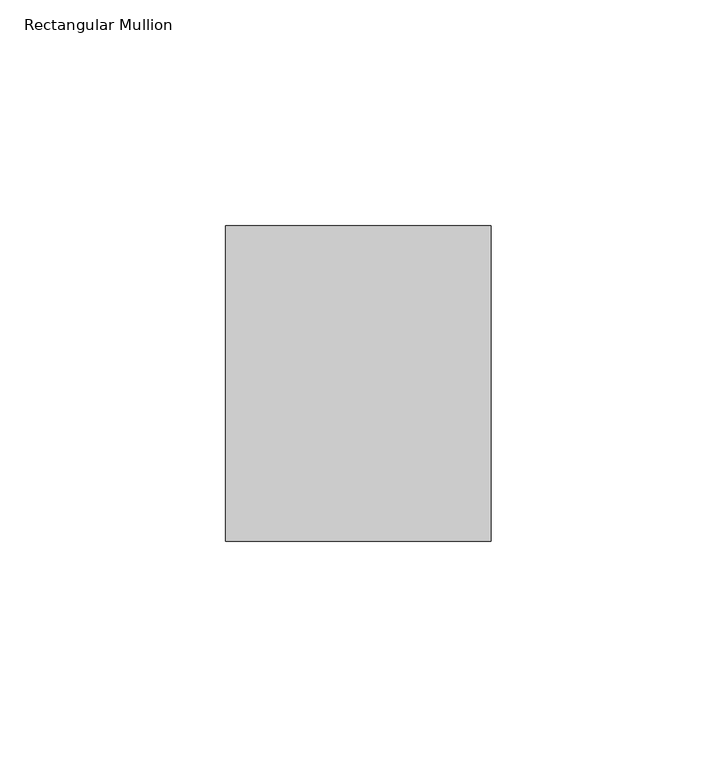
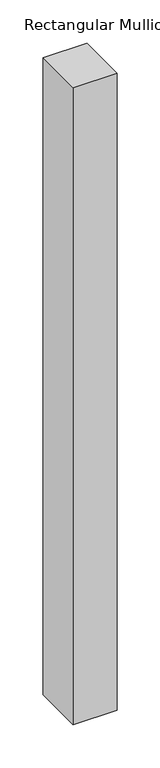
"""IFC4 building model written with IfcOpenShell, lengths in millimetres: member geometry, Rectangular Mullion."""

from ifc_helpers import new_model, si_unit, frame, origin, place, context, project, spatial, polyline, outline, extrude, source, transform, mapped, element, save


def rectangular_mullion_c6f1dcb2(model_context):
    return source(origin(), model_context, "Body", "SweptSolid", [
        extrude(outline(polyline([(0.0, 34.925), (0.0, -34.925), (-58.7375, -34.925), (-58.7375, 34.925), (0.0, 34.925)])), frame((0.0, 0.0, -900.43), z_axis=(0.0, 0.0, 1.0), x_axis=(1.0, 0.0, 0.0)), (0.0, 0.0, 1.0), 900.43),
    ])


if __name__ == "__main__":
    model = new_model("IFC4")
    model_context = context("Model", 3, world=origin())
    ifc_project = project(units=[si_unit("LENGTHUNIT", "METRE", prefix="MILLI")], contexts=[model_context])
    site = spatial("IfcSite", under=ifc_project)
    building = spatial("IfcBuilding", under=site)
    placement = place(None, origin())
    rectangular_mullion_shape = rectangular_mullion_c6f1dcb2(model_context)
    element("IfcMember", 1, ObjectType="Rectangular Mullion", at=placement, inside=building, context=model_context, shape_type="MappedRepresentation", body=[
        mapped(rectangular_mullion_shape, transform((0.0, 0.0, 0.0), x_axis=(1.0, 0.0, 0.0), y_axis=(0.0, 1.0, 0.0), z_axis=(0.0, 0.0, 1.0))),
    ])
    save(model, "model.ifc")
